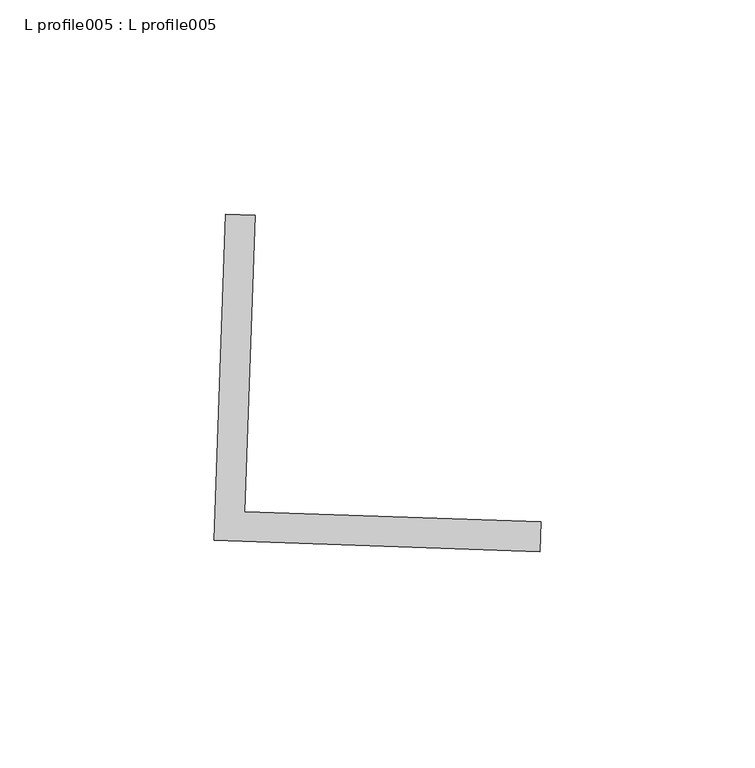
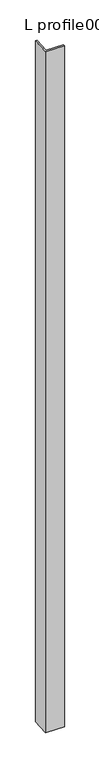
"""IFC4 building model written with IfcOpenShell, lengths in millimetres: proxy geometry, L profile005 : L profile005."""

from ifc_helpers import new_model, si_unit, frame, origin, place, context, project, spatial, polyline, outline, extrude, source, transform, mapped, element, save


def l_profile005_l_profile005_1653754d(model_context):
    return source(origin(), model_context, "Body", "SweptSolid", [
        extrude(outline(polyline([(17438.6272134, -14677.044999), (17441.3035392, -14600.892013), (17448.2411507, -14601.1358289), (17445.8086408, -14670.3512034), (17515.0240153, -14672.7837133), (17514.7801995, -14679.7213248), (17438.6272134, -14677.044999)])), frame((0.0, 0.0, 73.975708), z_axis=(0.0, 0.0, 1.0), x_axis=(1.0, 0.0, 0.0)), (0.0, 0.0, 1.0), 2959.106901),
    ])


if __name__ == "__main__":
    model = new_model("IFC4")
    model_context = context("Model", 3, world=origin())
    ifc_project = project(units=[si_unit("LENGTHUNIT", "METRE", prefix="MILLI")], contexts=[model_context])
    site = spatial("IfcSite", under=ifc_project)
    building = spatial("IfcBuilding", under=site)
    placement = place(None, origin())
    l_profile005_l_profile005_shape = l_profile005_l_profile005_1653754d(model_context)
    element("IfcBuildingElementProxy", 1, Name="L profile005 : L profile005", ObjectType="L profile005 : L profile005", at=placement, inside=building, context=model_context, shape_type="MappedRepresentation", body=[
        mapped(l_profile005_l_profile005_shape, transform((0.0, 0.0, 0.0), x_axis=(1.0, 0.0, 0.0), y_axis=(0.0, 1.0, 0.0), z_axis=(0.0, 0.0, 1.0))),
    ])
    save(model, "model.ifc")
